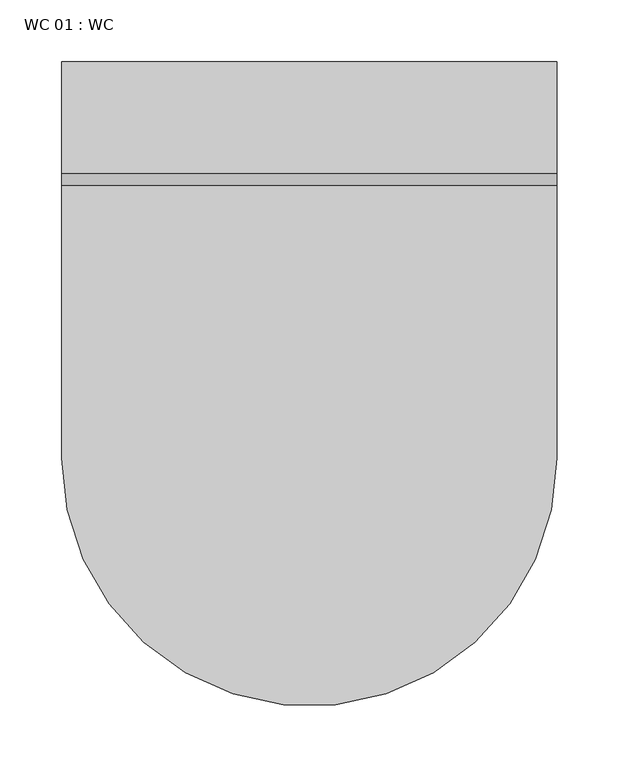
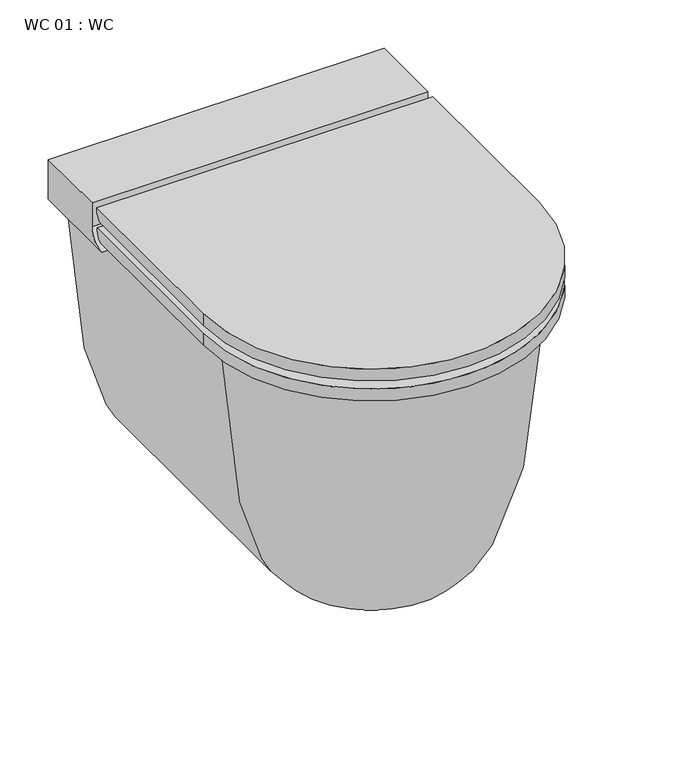
"""IFC4 building model written with IfcOpenShell, lengths in millimetres: flow terminal geometry, WC 01 : WC."""

from ifc_helpers import new_model, si_unit, point, frame, frame_2d, origin, place, context, project, spatial, polyline, circle_curve, trimmed, segment, composite_curve, outline, extrude, source, transform, mapped, element, save
from ifc_brep_helpers import plane_surface, cylinder_surface, revolved_surface, extruded_surface, spline_curve, advanced_brep


def wc_01_wc_d16c4fa0(model_context):
    return source(origin(), model_context, "Body", "SolidModel", [
        extrude(outline(composite_curve([segment(polyline([(-53.1742329, 300.0), (53.1742329, 300.0), (53.1742329, -20.0)]), True, "CONTINUOUS"), segment(trimmed(circle_curve(frame_2d((0.0, -20.0)), 53.1742329), [point((53.1742329, -20.0))], [point((-53.1742329, -20.0))], False, "CARTESIAN"), True, "CONTINUOUS"), segment(polyline([(-53.1742329, -20.0), (-53.1742329, 300.0)]), True, "CONTINUOUS")], self_intersect=False)), frame((0.0, 0.0, 60.0), z_axis=(0.0, 0.0, 1.0), x_axis=(1.0, 0.0, 0.0)), (0.0, 0.0, 1.0), 37.2025658),
        advanced_brep(
        [(-200.0, -20.0, 450.0), (200.0, -20.0, 450.0), (200.0, 200.0, 450.0), (-200.0, 200.0, 450.0), (-200.0, -20.0, 435.0), (200.0, -20.0, 435.0), (200.0, 193.6203019, 435.0), (200.0, 200.0, 444.9697317), (-200.0, 200.0, 444.9697317), (-200.0, 193.6203019, 435.0)],
        [
            (0, 1, circle_curve(frame((0.0, -20.0, 450.0), z_axis=(0.0, 0.0, 1.0), x_axis=(-1.0, 0.0, 0.0)), 200.0)),
            (1, 2),
            (2, 3),
            (3, 0),
            (0, 4),
            (4, 5, circle_curve(frame((0.0, -20.0, 435.0), z_axis=(0.0, 0.0, 1.0), x_axis=(-1.0, 0.0, 0.0)), 200.0)),
            (5, 1),
            (5, 6),
            (6, 7, circle_curve(frame((200.0, 181.4961016, 449.7844287), z_axis=(1.0, 0.0, 0.0), x_axis=(0.0, -1.0, 0.0)), 19.1200304)),
            (7, 2),
            (3, 8),
            (8, 9, circle_curve(frame((-200.0, 181.4961016, 449.7844287), z_axis=(-1.0, 0.0, 0.0), x_axis=(0.0, -1.0, 0.0)), 19.1200304)),
            (9, 4),
            (7, 8),
            (9, 6),
        ],
        [
            plane_surface(frame((-200.0, -20.0, 450.0), z_axis=(0.0, 0.0, 1.0), x_axis=(0.0, -1.0, 0.0))),
            cylinder_surface(frame((0.0, -20.0, 400.0), z_axis=(0.0, 0.0, 1.0), x_axis=(-1.0, 0.0, 0.0)), 200.0),
            plane_surface(frame((200.0, -20.0, 450.0), z_axis=(1.0, 0.0, 0.0), x_axis=(0.0, 0.0, -1.0))),
            plane_surface(frame((-200.0, 300.0, 450.0), z_axis=(-1.0, 0.0, 0.0), x_axis=(0.0, 0.0, -1.0))),
            plane_surface(frame((220.0, 200.0, 455.0), z_axis=(0.0, 1.0, 0.0), x_axis=(-1.0, 0.0, 0.0))),
            plane_surface(frame((220.0, 193.6203019, 435.0), z_axis=(0.0, 0.0, -1.0), x_axis=(-1.0, 0.0, 0.0))),
            cylinder_surface(frame((-220.0, 181.4961016, 449.7844287), z_axis=(-1.0, 0.0, 0.0), x_axis=(0.0, -1.0, 0.0)), 19.1200304),
        ],
        [
            (0, [[1, 2, 3, 4]]),
            (1, [[-1, 5, 6, 7]]),
            (2, [[-2, -7, 8, 9, 10]]),
            (3, [[-4, 11, 12, 13, -5]]),
            (4, [[14, -11, -3, -10]]),
            (5, [[15, -8, -6, -13]]),
            (6, [[-15, -12, -14, -9]]),
        ],
    ),
        advanced_brep(
        [(200.0, 300.0, 450.0), (-200.0, 300.0, 450.0), (-200.0, 210.0, 450.0), (200.0, 210.0, 450.0), (-200.0, 300.0, 400.0), (200.0, 300.0, 400.0), (200.0, 190.0, 400.0), (-200.0, 190.0, 400.0), (200.0, 210.0, 420.0), (-200.0, 210.0, 420.0)],
        [
            (0, 1),
            (1, 2),
            (2, 3),
            (3, 0),
            (4, 5),
            (5, 6),
            (6, 7),
            (7, 4),
            (5, 0),
            (3, 8),
            (8, 6, circle_curve(frame((200.0, 190.0, 420.0), z_axis=(-1.0, 0.0, 0.0), x_axis=(0.0, -1.0, 0.0)), 20.0)),
            (4, 1),
            (7, 9, circle_curve(frame((-200.0, 190.0, 420.0), z_axis=(1.0, 0.0, 0.0), x_axis=(0.0, -1.0, 0.0)), 20.0)),
            (9, 2),
            (8, 9),
        ],
        [
            plane_surface(frame((-200.0, -20.0, 450.0), z_axis=(0.0, 0.0, 1.0), x_axis=(0.0, -1.0, 0.0))),
            plane_surface(frame((-200.0, -20.0, 400.0), z_axis=(0.0, 0.0, -1.0), x_axis=(0.0, 1.0, 0.0))),
            plane_surface(frame((200.0, -20.0, 450.0), z_axis=(1.0, 0.0, 0.0), x_axis=(0.0, 0.0, -1.0))),
            plane_surface(frame((200.0, 300.0, 450.0), z_axis=(0.0, 1.0, 0.0), x_axis=(0.0, 0.0, -1.0))),
            plane_surface(frame((-200.0, 300.0, 450.0), z_axis=(-1.0, 0.0, 0.0), x_axis=(0.0, 0.0, -1.0))),
            revolved_surface(polyline([(200.0, 170.0, 420.0), (-200.0, 170.0, 420.0)]), (-220.0, 190.0, 420.0), (1.0, 0.0, 0.0)),
            plane_surface(frame((220.0, 210.0, 420.0), z_axis=(0.0, -1.0, 0.0), x_axis=(-1.0, 0.0, 0.0))),
        ],
        [
            (0, [[1, 2, 3, 4]]),
            (1, [[5, 6, 7, 8]]),
            (2, [[9, -4, 10, 11, -6]]),
            (3, [[-1, -9, -5, 12]]),
            (4, [[-12, -8, 13, 14, -2]]),
            (5, [[15, -13, -7, -11]]),
            (6, [[-15, -10, -3, -14]]),
        ],
    ),
        advanced_brep(
        [(-200.0, -20.0, 425.0), (-200.0, -20.0, 410.0), (200.0, -20.0, 410.0), (200.0, -20.0, 425.0), (200.0, 192.3703019, 410.0), (200.0, 199.3649167, 425.0), (-200.0, 199.3649167, 425.0), (-200.0, 192.3703019, 410.0)],
        [
            (0, 1),
            (1, 2, circle_curve(frame((0.0, -20.0, 410.0), z_axis=(0.0, 0.0, 1.0), x_axis=(-1.0, 0.0, 0.0)), 200.0)),
            (2, 3),
            (3, 0, circle_curve(frame((0.0, -20.0, 425.0), z_axis=(0.0, 0.0, -1.0), x_axis=(-1.0, 0.0, 0.0)), 200.0)),
            (2, 4),
            (4, 5, circle_curve(frame((200.0, 180.2461016, 424.7844287), z_axis=(1.0, 0.0, 0.0), x_axis=(0.0, -1.0, 0.0)), 19.1200304)),
            (5, 3),
            (0, 6),
            (6, 7, circle_curve(frame((-200.0, 180.2461016, 424.7844287), z_axis=(-1.0, 0.0, 0.0), x_axis=(0.0, -1.0, 0.0)), 19.1200304)),
            (7, 1),
            (5, 6),
            (7, 4),
        ],
        [
            cylinder_surface(frame((0.0, -20.0, 400.0), z_axis=(0.0, 0.0, 1.0), x_axis=(-1.0, 0.0, 0.0)), 200.0),
            plane_surface(frame((200.0, -20.0, 450.0), z_axis=(1.0, 0.0, 0.0), x_axis=(0.0, 0.0, -1.0))),
            plane_surface(frame((-200.0, 300.0, 450.0), z_axis=(-1.0, 0.0, 0.0), x_axis=(0.0, 0.0, -1.0))),
            plane_surface(frame((220.0, -226.6172823, 425.0), z_axis=(0.0, 0.0, 1.0), x_axis=(-1.0, 0.0, 0.0))),
            plane_surface(frame((220.0, 192.3703019, 410.0), z_axis=(0.0, 0.0, -1.0), x_axis=(-1.0, 0.0, 0.0))),
            cylinder_surface(frame((-220.0, 180.2461016, 424.7844287), z_axis=(-1.0, 0.0, 0.0), x_axis=(0.0, -1.0, 0.0)), 19.1200304),
        ],
        [
            (0, [[1, 2, 3, 4]]),
            (1, [[-3, 5, 6, 7]]),
            (2, [[-1, 8, 9, 10]]),
            (3, [[11, -8, -4, -7]]),
            (4, [[12, -5, -2, -10]]),
            (5, [[-12, -9, -11, -6]]),
        ],
    ),
        advanced_brep(
        [(-76.6917522, 300.0, 60.0), (-180.0, 300.0, 400.0), (-140.0, 300.0, 400.0), (-53.1742329, 300.0, 97.2025658), (-53.1742329, 300.0, 60.0), (-76.6917522, -20.0, 60.0), (-180.0, -20.0, 400.0), (180.0, -20.0, 400.0), (180.0, 300.0, 400.0), (140.0, 300.0, 400.0), (140.0, -20.0, 400.0), (-140.0, -20.0, 400.0), (-53.1742329, -20.0, 97.2025658), (76.6917522, -20.0, 60.0), (53.1742329, -20.0, 97.2025658), (76.6917522, 300.0, 60.0), (53.1742329, 300.0, 60.0), (53.1742329, 300.0, 97.2025658), (-53.1742329, -20.0, 60.0), (53.1742329, -20.0, 60.0)],
        [
            (0, 1, spline_curve(3, [(-76.6917522, 300.0, 60.0), (-111.082743863, 300.0, 79.855648293), (-121.513967671, 300.0, 97.923057827), (-149.983806775, 300.0, 155.620436178), (-165.985622426, 300.0, 199.58506348), (-180.0, 300.0, 400.0)], [4, 2, 4], [0.0, 0.18802393441195286, 0.5523307130682277])),
            (1, 2),
            (2, 3, spline_curve(3, [(-140.0, 300.0, 400.0), (-130.372974426, 300.0, 222.168027589), (-116.802893574, 300.0, 182.977122675), (-92.373341834, 300.0, 131.440426534), (-83.379617228, 300.0, 115.281037731), (-53.1742329, 300.0, 97.2025658)], [4, 2, 4], [0.0, 0.3643067786562748, 0.5523307130682277])),
            (3, 4),
            (4, 0),
            (0, 5),
            (5, 6, spline_curve(3, [(-76.6917522, -20.0, 60.0), (-111.082743863, -20.0, 79.855648293), (-121.513967671, -20.0, 97.923057827), (-149.983806775, -20.0, 155.620436178), (-165.985622426, -20.0, 199.58506348), (-180.0, -20.0, 400.0)], [4, 2, 4], [0.0, 0.18802393441195286, 0.5523307130682277])),
            (6, 1),
            (6, 7, circle_curve(frame((0.0, -20.0, 400.0), z_axis=(0.0, 0.0, 1.0), x_axis=(-1.0, 0.0, 0.0)), 180.0)),
            (7, 8),
            (8, 9),
            (9, 10),
            (10, 11, circle_curve(frame((0.0, -20.0, 400.0), z_axis=(0.0, 0.0, -1.0), x_axis=(-1.0, 0.0, 0.0)), 140.0)),
            (11, 2),
            (11, 12, spline_curve(3, [(-140.0, -20.0, 400.0), (-130.372974426, -20.0, 222.168027589), (-116.802893574, -20.0, 182.977122675), (-92.373341834, -20.0, 131.440426534), (-83.379617228, -20.0, 115.281037731), (-53.1742329, -20.0, 97.2025658)], [4, 2, 4], [0.0, 0.3643067786562748, 0.5523307130682277])),
            (12, 3),
            (5, 13, circle_curve(frame((0.0, -20.0, 60.0), z_axis=(0.0, 0.0, 1.0), x_axis=(-1.0, 0.0, 0.0)), 76.6917522)),
            (13, 7, spline_curve(3, [(76.6917522, -20.0, 60.0), (111.082743863, -20.0, 79.855648293), (121.513967671, -20.0, 97.923057827), (149.983806775, -20.0, 155.620436178), (165.985622426, -20.0, 199.58506348), (180.0, -20.0, 400.0)], [4, 2, 4], [0.0, 0.18802393441195286, 0.5523307130682277])),
            (14, 12, circle_curve(frame((0.0, -20.0, 97.2025658), z_axis=(0.0, 0.0, -1.0), x_axis=(-1.0, 0.0, 0.0)), 53.1742329)),
            (10, 14, spline_curve(3, [(140.0, -20.0, 400.0), (130.372974426, -20.0, 222.168027589), (116.802893574, -20.0, 182.977122675), (92.373341834, -20.0, 131.440426534), (83.379617228, -20.0, 115.281037731), (53.1742329, -20.0, 97.2025658)], [4, 2, 4], [0.0, 0.3643067786562748, 0.5523307130682277])),
            (15, 16),
            (16, 17),
            (17, 9, spline_curve(3, [(53.1742329, 300.0, 97.2025658), (83.379617228, 300.0, 115.281037731), (92.373341834, 300.0, 131.440426534), (116.802893574, 300.0, 182.977122675), (130.372974426, 300.0, 222.168027589), (140.0, 300.0, 400.0)], [4, 2, 4], [0.0, 0.18802393441195286, 0.5523307130682277])),
            (8, 15, spline_curve(3, [(180.0, 300.0, 400.0), (165.985622426, 300.0, 199.58506348), (149.983806775, 300.0, 155.620436178), (121.513967671, 300.0, 97.923057827), (111.082743863, 300.0, 79.855648293), (76.6917522, 300.0, 60.0)], [4, 2, 4], [0.0, 0.3643067786562748, 0.5523307130682277])),
            (13, 15),
            (17, 14),
            (12, 18),
            (18, 4),
            (18, 19, circle_curve(frame((0.0, -20.0, 60.0), z_axis=(0.0, 0.0, 1.0), x_axis=(-1.0, 0.0, 0.0)), 53.1742329)),
            (19, 16),
            (14, 19),
        ],
        [
            plane_surface(frame((-180.0, 300.0, 0.0), z_axis=(0.0, 1.0, 0.0), x_axis=(0.0, 0.0, 1.0))),
            extruded_surface(spline_curve(3, [(-76.6917522, -20.0, 60.0), (-111.082743863, -20.0, 79.855648293), (-121.513967671, -20.0, 97.923057827), (-149.983806775, -20.0, 155.620436178), (-165.985622426, -20.0, 199.58506348), (-180.0, -20.0, 400.0)], [4, 2, 4], [0.0, 0.18802393441195286, 0.5523307130682277]), (0.0, 320.0, 0.0), 320.0),
            plane_surface(frame((-180.0, 300.0, 400.0), z_axis=(0.0, 0.0, 1.0), x_axis=(0.0, -1.0, 0.0))),
            extruded_surface(spline_curve(3, [(-140.0, -20.0, 400.0), (-130.372974426, -20.0, 222.168027589), (-116.802893574, -20.0, 182.977122675), (-92.373341834, -20.0, 131.440426534), (-83.379617228, -20.0, 115.281037731), (-53.1742329, -20.0, 97.2025658)], [4, 2, 4], [0.0, 0.3643067786562748, 0.5523307130682277]), (0.0, 320.0, 0.0), 320.0),
            revolved_surface(spline_curve(3, [(-76.6917522, -20.0, 60.0), (-111.082743863, -20.0, 79.855648293), (-121.513967671, -20.0, 97.923057827), (-149.983806775, -20.0, 155.620436178), (-165.985622426, -20.0, 199.58506348), (-180.0, -20.0, 400.0)], [4, 2, 4], [0.0, 0.18802393441195286, 0.5523307130682277]), (0.0, -20.0, 0.0), (0.0, 0.0, 1.0)),
            revolved_surface(spline_curve(3, [(-140.0, -20.0, 400.0), (-130.372974426, -20.0, 222.168027589), (-116.802893574, -20.0, 182.977122675), (-92.373341834, -20.0, 131.440426534), (-83.379617228, -20.0, 115.281037731), (-53.1742329, -20.0, 97.2025658)], [4, 2, 4], [0.0, 0.3643067786562748, 0.5523307130682277]), (0.0, -20.0, 0.0), (0.0, 0.0, 1.0)),
            plane_surface(frame((180.0, 300.0, 0.0), z_axis=(0.0, 1.0, 0.0), x_axis=(0.0, 0.0, 1.0))),
            extruded_surface(spline_curve(3, [(76.6917522, 300.0, 60.0), (111.082743863, 300.0, 79.855648293), (121.513967671, 300.0, 97.923057827), (149.983806775, 300.0, 155.620436178), (165.985622426, 300.0, 199.58506348), (180.0, 300.0, 400.0)], [4, 2, 4], [0.0, 0.18802393441195286, 0.5523307130682277]), (0.0, -320.0, 0.0), 320.0),
            extruded_surface(spline_curve(3, [(140.0, 300.0, 400.0), (130.372974426, 300.0, 222.168027589), (116.802893574, 300.0, 182.977122675), (92.373341834, 300.0, 131.440426534), (83.379617228, 300.0, 115.281037731), (53.1742329, 300.0, 97.2025658)], [4, 2, 4], [0.0, 0.3643067786562748, 0.5523307130682277]), (0.0, -320.0, 0.0), 320.0),
            plane_surface(frame((-53.1742329, 300.0, 97.2025658), z_axis=(1.0, 0.0, 0.0), x_axis=(0.0, -1.0, 0.0))),
            plane_surface(frame((-53.1742329, 300.0, 60.0), z_axis=(0.0, 0.0, -1.0), x_axis=(0.0, -1.0, 0.0))),
            revolved_surface(polyline([(-53.1742329, -20.0, 97.2025658), (-53.1742329, -20.0, 60.0)]), (0.0, -20.0, 0.0), (0.0, 0.0, 1.0)),
            plane_surface(frame((53.1742329, -20.0, 97.2025658), z_axis=(-1.0, 0.0, 0.0), x_axis=(0.0, 1.0, 0.0))),
        ],
        [
            (0, [[1, 2, 3, 4, 5]]),
            (1, [[-1, 6, 7, 8]]),
            (2, [[-2, -8, 9, 10, 11, 12, 13, 14]]),
            (3, [[-3, -14, 15, 16]]),
            (4, [[-9, -7, 17, 18]]),
            (5, [[19, -15, -13, 20]]),
            (6, [[21, 22, 23, -11, 24]]),
            (7, [[-18, 25, -24, -10]]),
            (8, [[-20, -12, -23, 26]]),
            (9, [[-4, -16, 27, 28]]),
            (10, [[-5, -28, 29, 30, -21, -25, -17, -6]]),
            (11, [[-29, -27, -19, 31]]),
            (12, [[-31, -26, -22, -30]]),
        ],
    ),
    ])


if __name__ == "__main__":
    model = new_model("IFC4")
    model_context = context("Model", 3, world=origin())
    ifc_project = project(units=[si_unit("LENGTHUNIT", "METRE", prefix="MILLI")], contexts=[model_context])
    site = spatial("IfcSite", under=ifc_project)
    building = spatial("IfcBuilding", under=site)
    placement = place(None, origin())
    wc_01_wc_shape = wc_01_wc_d16c4fa0(model_context)
    element("IfcFlowTerminal", 1, ObjectType="WC 01 : WC", at=placement, inside=building, context=model_context, shape_type="MappedRepresentation", body=[
        mapped(wc_01_wc_shape, transform((0.0, 0.0, 0.0), x_axis=(1.0, 0.0, 0.0), y_axis=(0.0, 1.0, 0.0), z_axis=(0.0, 0.0, 1.0))),
    ])
    save(model, "model.ifc")
